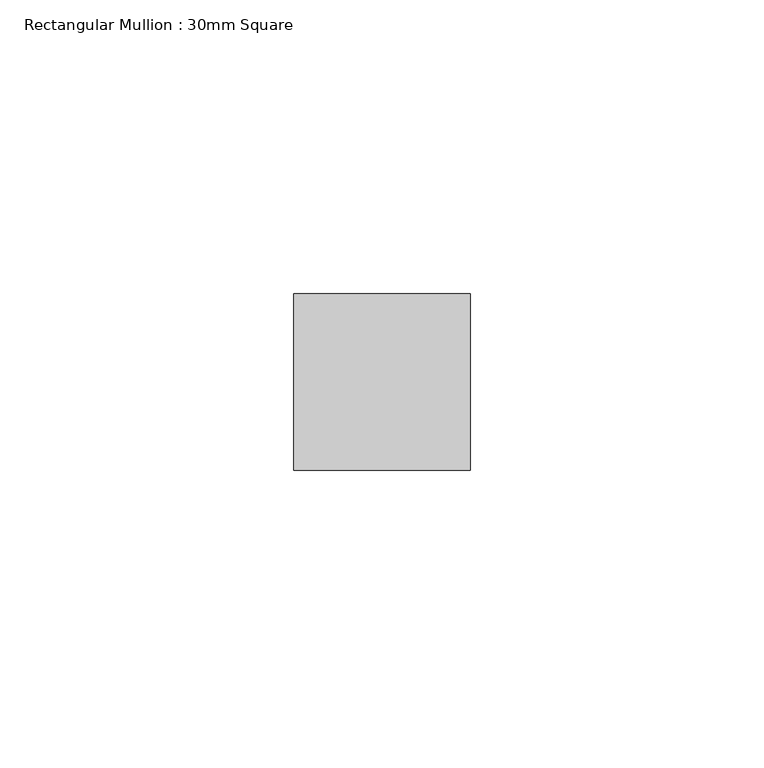
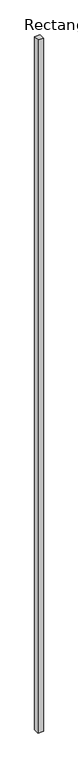
"""IFC4 building model written with IfcOpenShell, lengths in millimetres: member geometry, Rectangular Mullion : 30mm Square."""

from ifc_helpers import new_model, si_unit, frame, origin, place, context, project, spatial, polyline, outline, extrude, source, transform, mapped, element, save


def rectangular_mullion_30mm_square_2c0069c8(model_context):
    return source(origin(), model_context, "Body", "SweptSolid", [
        extrude(outline(polyline([(0.0, 15.0), (0.0, -15.0), (-30.0, -15.0), (-30.0, 15.0), (0.0, 15.0)])), frame((0.0, 0.0, -4015.0), z_axis=(0.0, 0.0, 1.0), x_axis=(1.0, 0.0, 0.0)), (0.0, 0.0, 1.0), 4015.0),
    ])


if __name__ == "__main__":
    model = new_model("IFC4")
    model_context = context("Model", 3, world=origin())
    ifc_project = project(units=[si_unit("LENGTHUNIT", "METRE", prefix="MILLI")], contexts=[model_context])
    site = spatial("IfcSite", under=ifc_project)
    building = spatial("IfcBuilding", under=site)
    placement = place(None, origin())
    rectangular_mullion_30mm_square_shape = rectangular_mullion_30mm_square_2c0069c8(model_context)
    element("IfcMember", 1, ObjectType="Rectangular Mullion : 30mm Square", at=placement, inside=building, context=model_context, shape_type="MappedRepresentation", body=[
        mapped(rectangular_mullion_30mm_square_shape, transform((0.0, 0.0, 0.0), x_axis=(1.0, 0.0, 0.0), y_axis=(0.0, 1.0, 0.0), z_axis=(0.0, 0.0, 1.0))),
    ])
    save(model, "model.ifc")
